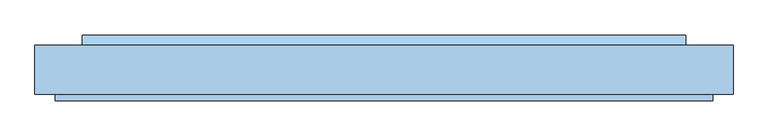
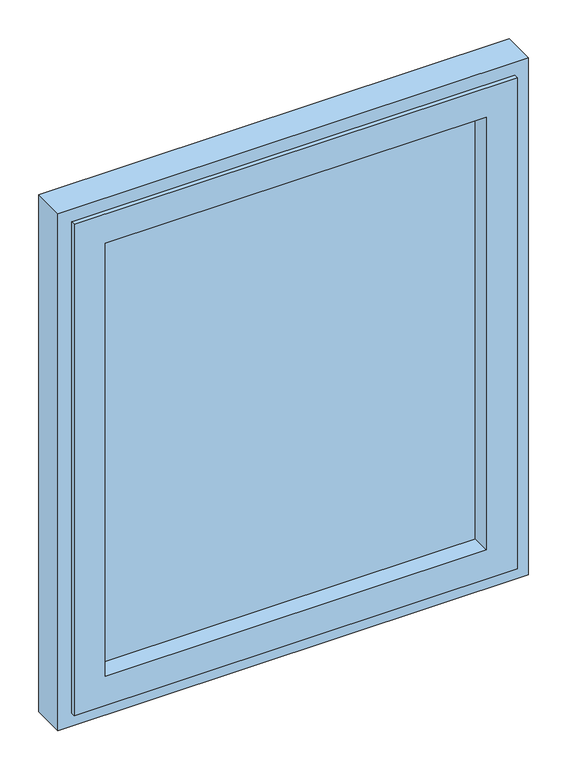
"""IFC4 building model written with IfcOpenShell, lengths in millimetres: window geometry."""

from ifc_helpers import new_model, si_unit, frame, origin, place, context, project, spatial, polyline, outline, extrude, faceted_brep, source, transform, mapped, element, save


def window_8ce5264d(model_context):
    return source(origin(), model_context, "Body", "SolidModel", [
        faceted_brep([(-470.9999998, -70.0, 29.0), (-470.9999998, -61.0, 29.0), (470.9999998, -61.0, 29.0), (470.9999998, -70.0, 29.0), (-439.9999998, 0.0, 60.0), (-439.9999998, 9.0, 60.0), (439.9999998, 9.0, 60.0), (439.9999998, 0.0, 60.0), (-404.9999998, 9.0, 95.0), (-404.9999998, -70.0, 95.0), (404.9999998, -70.0, 95.0), (404.9999998, 9.0, 95.0), (470.9999998, -61.0, 1133.5), (470.9999998, -70.0, 1133.5), (439.9999998, 9.0, 1102.5), (439.9999998, 0.0, 1102.5), (404.9999998, -70.0, 1067.5), (404.9999998, 9.0, 1067.5), (-470.9999998, -61.0, 1133.5), (-470.9999998, -70.0, 1133.5), (-439.9999998, 9.0, 1102.5), (-439.9999998, 0.0, 1102.5), (-404.9999998, -70.0, 1067.5), (-404.9999998, 9.0, 1067.5), (-445.9999998, 0.0, 54.0), (-445.9999998, 0.0, 1108.5), (445.9999998, 0.0, 1108.5), (445.9999998, 0.0, 54.0), (-445.9999998, -61.0, 54.0), (445.9999998, -61.0, 54.0), (445.9999998, -61.0, 1108.5), (-445.9999998, -61.0, 1108.5)], [[[0, 1, 2, 3]], [[4, 5, 6, 7]], [[8, 9, 10, 11]], [[3, 2, 12, 13]], [[7, 6, 14, 15]], [[11, 10, 16, 17]], [[13, 12, 18, 19]], [[15, 14, 20, 21]], [[17, 16, 22, 23]], [[19, 18, 1, 0]], [[5, 20, 14, 6], [11, 17, 23, 8]], [[21, 20, 5, 4]], [[24, 25, 26, 27], [7, 15, 21, 4]], [[23, 22, 9, 8]], [[3, 13, 19, 0], [9, 22, 16, 10]], [[28, 24, 27, 29]], [[29, 27, 26, 30]], [[30, 26, 25, 31]], [[1, 18, 12, 2], [29, 30, 31, 28]], [[31, 25, 24, 28]]]),
        extrude(outline(polyline([(404.9999998, -30.0), (-404.9999998, -30.0), (-404.9999998, 0.0), (404.9999998, 0.0), (404.9999998, -30.0)])), frame((0.0, 0.0, 95.0), z_axis=(0.0, 0.0, 1.0), x_axis=(1.0, 0.0, 0.0)), (0.0, 0.0, 1.0), 972.5),
        extrude(outline(polyline([(24.0, 60.0), (9.0, 60.0), (9.0, 72.5), (24.0, 65.0), (24.0, 60.0)])), frame((-431.9999998, 0.0, 0.0), z_axis=(1.0, 0.0, 0.0), x_axis=(0.0, 1.0, 0.0)), (0.0, 0.0, 1.0), 863.9999997),
        faceted_brep([(445.9999998, 0.0, 54.0), (445.9999998, 9.0, 54.0), (-445.9999998, 9.0, 54.0), (-445.9999998, 0.0, 54.0), (467.9999998, -61.0, 32.0), (467.9999998, 0.0, 32.0), (-467.9999998, 0.0, 32.0), (-467.9999998, -61.0, 32.0), (499.9999998, 9.0, 0.0), (499.9999998, -61.0, 0.0), (-499.9999998, -61.0, 0.0), (-499.9999998, 9.0, 0.0), (-445.9999998, 9.0, 1108.5), (-445.9999998, 0.0, 1108.5), (-467.9999998, 0.0, 1130.5), (-467.9999998, -61.0, 1130.5), (-499.9999998, -61.0, 1162.5), (-499.9999998, 9.0, 1162.5), (445.9999998, 9.0, 1108.5), (445.9999998, 0.0, 1108.5), (467.9999998, 0.0, 1130.5), (467.9999998, -61.0, 1130.5), (499.9999998, -61.0, 1162.5), (499.9999998, 9.0, 1162.5)], [[[0, 1, 2, 3]], [[4, 5, 6, 7]], [[8, 9, 10, 11]], [[3, 2, 12, 13]], [[7, 6, 14, 15]], [[11, 10, 16, 17]], [[13, 12, 18, 19]], [[15, 14, 20, 21]], [[17, 16, 22, 23]], [[19, 18, 1, 0]], [[5, 20, 14, 6], [3, 13, 19, 0]], [[21, 20, 5, 4]], [[9, 22, 16, 10], [7, 15, 21, 4]], [[23, 22, 9, 8]], [[11, 17, 23, 8], [1, 18, 12, 2]]]),
    ])


if __name__ == "__main__":
    model = new_model("IFC4")
    model_context = context("Model", 3, world=origin())
    ifc_project = project(units=[si_unit("LENGTHUNIT", "METRE", prefix="MILLI")], contexts=[model_context])
    site = spatial("IfcSite", under=ifc_project)
    building = spatial("IfcBuilding", under=site)
    placement = place(None, origin())
    window_shape = window_8ce5264d(model_context)
    element("IfcWindow", 1, at=placement, inside=building, context=model_context, shape_type="MappedRepresentation", body=[
        mapped(window_shape, transform((0.0, 0.0, 0.0), x_axis=(1.0, 0.0, 0.0), y_axis=(0.0, 1.0, 0.0), z_axis=(0.0, 0.0, 1.0))),
    ])
    save(model, "model.ifc")
